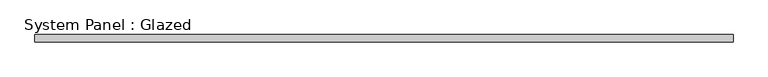
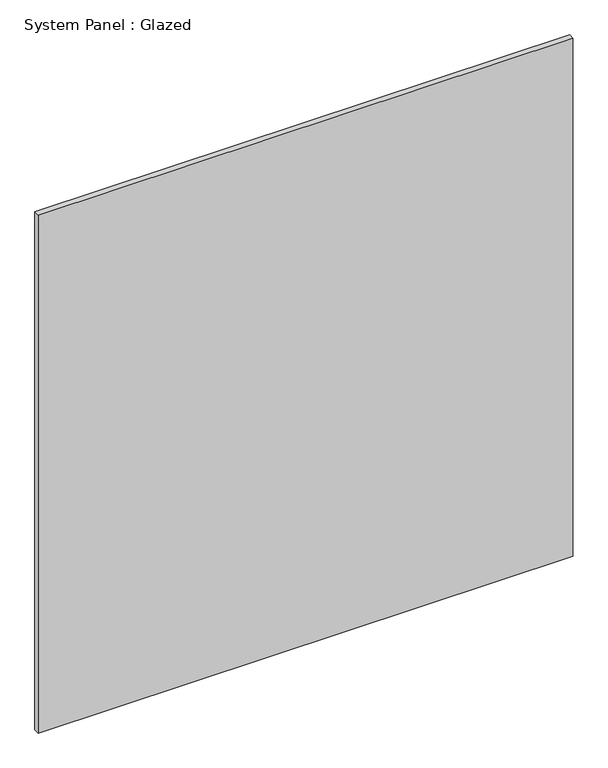
"""IFC4 building model written with IfcOpenShell, lengths in millimetres: plate geometry, System Panel : Glazed."""

from ifc_helpers import new_model, si_unit, origin, origin_with_axes, place, context, project, spatial, polyline, outline, extrude, source, transform, mapped, element, save


def system_panel_glazed_38e59e2a(model_context):
    return source(origin(), model_context, "Body", "SweptSolid", [
        extrude(outline(polyline([(1171.7121958, -49.5), (-1171.7121958, -49.5), (-1171.7121958, -24.5), (1171.7121958, -24.5), (1171.7121958, -49.5)])), origin_with_axes(), (0.0, 0.0, 1.0), 2400.0),
    ])


if __name__ == "__main__":
    model = new_model("IFC4")
    model_context = context("Model", 3, world=origin())
    ifc_project = project(units=[si_unit("LENGTHUNIT", "METRE", prefix="MILLI")], contexts=[model_context])
    site = spatial("IfcSite", under=ifc_project)
    building = spatial("IfcBuilding", under=site)
    placement = place(None, origin())
    system_panel_glazed_shape = system_panel_glazed_38e59e2a(model_context)
    element("IfcPlate", 1, ObjectType="System Panel : Glazed", at=placement, inside=building, context=model_context, shape_type="MappedRepresentation", body=[
        mapped(system_panel_glazed_shape, transform((0.0, 0.0, 0.0), x_axis=(1.0, 0.0, 0.0), y_axis=(0.0, 1.0, 0.0), z_axis=(0.0, 0.0, 1.0))),
    ])
    save(model, "model.ifc")
